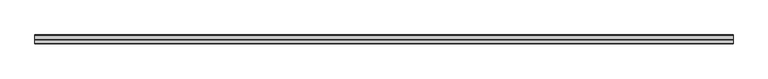
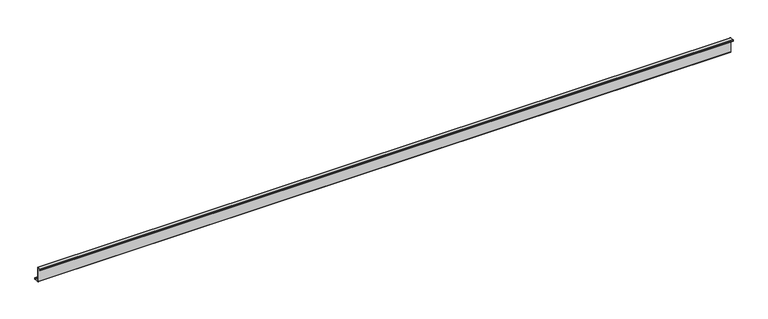
"""IFC4 building model written with IfcOpenShell, lengths in millimetres: member geometry."""

from ifc_helpers import new_model, si_unit, point, frame, frame_2d, origin, place, context, project, spatial, polyline, circle_curve, trimmed, segment, composite_curve, outline, extrude, source, transform, mapped, element, save


def member_bc398685(model_context):
    return source(origin(), model_context, "Body", "SweptSolid", [
        extrude(outline(composite_curve([segment(polyline([(0.0, -123.5), (0.0, 123.5)]), True, "CONTINUOUS"), segment(trimmed(circle_curve(frame_2d((-2.0, 123.5)), 2.0), [point((0.0, 123.5))], [point((-2.0, 125.5))], True, "CARTESIAN"), True, "CONTINUOUS"), segment(polyline([(-2.0, 125.5), (-63.5, 125.5)]), True, "CONTINUOUS"), segment(trimmed(circle_curve(frame_2d((-63.5, 123.5)), 2.0), [point((-63.5, 125.5))], [point((-65.5, 123.5))], True, "CARTESIAN"), True, "CONTINUOUS"), segment(polyline([(-65.5, 123.5), (-65.5, 107.0), (-67.0, 107.0), (-67.0, 123.5)]), True, "CONTINUOUS"), segment(trimmed(circle_curve(frame_2d((-63.5, 123.5)), 3.5), [point((-67.0, 123.5))], [point((-63.5, 127.0))], False, "CARTESIAN"), True, "CONTINUOUS"), segment(polyline([(-63.5, 127.0), (-2.0, 127.0)]), True, "CONTINUOUS"), segment(trimmed(circle_curve(frame_2d((-2.0, 123.5)), 3.5), [point((-2.0, 127.0))], [point((1.5, 123.5))], False, "CARTESIAN"), True, "CONTINUOUS"), segment(polyline([(1.5, 123.5), (1.5, -123.5)]), True, "CONTINUOUS"), segment(trimmed(circle_curve(frame_2d((3.5, -123.5)), 2.0), [point((1.5, -123.5))], [point((3.5, -125.5))], True, "CARTESIAN"), True, "CONTINUOUS"), segment(polyline([(3.5, -125.5), (75.0, -125.5)]), True, "CONTINUOUS"), segment(trimmed(circle_curve(frame_2d((75.0, -123.5)), 2.0), [point((75.0, -125.5))], [point((77.0, -123.5))], True, "CARTESIAN"), True, "CONTINUOUS"), segment(polyline([(77.0, -123.5), (77.0, -107.5), (78.5, -107.5), (78.5, -123.5)]), True, "CONTINUOUS"), segment(trimmed(circle_curve(frame_2d((75.0, -123.5)), 3.5), [point((78.5, -123.5))], [point((75.0, -127.0))], False, "CARTESIAN"), True, "CONTINUOUS"), segment(polyline([(75.0, -127.0), (3.5, -127.0)]), True, "CONTINUOUS"), segment(trimmed(circle_curve(frame_2d((3.5, -123.5)), 3.5), [point((3.5, -127.0))], [point((0.0, -123.5))], False, "CARTESIAN"), True, "CONTINUOUS")], self_intersect=False)), frame((-5720.0, 0.0, 0.0), z_axis=(1.0, 0.0, 0.0), x_axis=(0.0, 1.0, 0.0)), (0.0, 0.0, 1.0), 11440.0),
    ])


if __name__ == "__main__":
    model = new_model("IFC4")
    model_context = context("Model", 3, world=origin())
    ifc_project = project(units=[si_unit("LENGTHUNIT", "METRE", prefix="MILLI")], contexts=[model_context])
    site = spatial("IfcSite", under=ifc_project)
    building = spatial("IfcBuilding", under=site)
    placement = place(None, origin())
    member_shape = member_bc398685(model_context)
    element("IfcMember", 1, at=placement, inside=building, context=model_context, shape_type="MappedRepresentation", body=[
        mapped(member_shape, transform((0.0, 0.0, 0.0), x_axis=(1.0, 0.0, 0.0), y_axis=(0.0, 1.0, 0.0), z_axis=(0.0, 0.0, 1.0))),
    ])
    save(model, "model.ifc")
